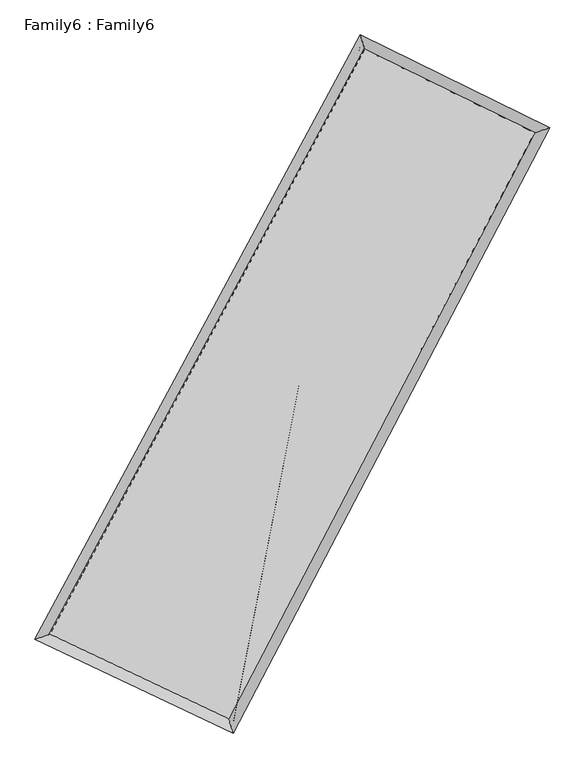
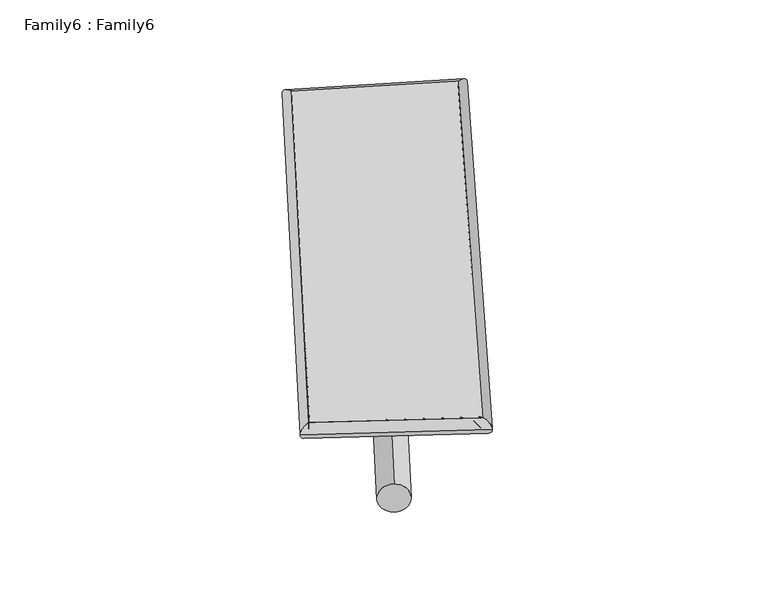
"""IFC4 building model written with IfcOpenShell, lengths in millimetres: plate geometry, Family6 : Family6."""

from ifc_helpers import new_model, si_unit, point, frame, origin, origin_2d, place, context, project, spatial, circle_curve, ellipse_curve, trimmed, segment, composite_curve, outline, extrude, source, transform, mapped, element, save
from ifc_brep_helpers import plane_surface, cylinder_surface, spline_surface, advanced_brep


def family6_family6_df32eaef(model_context):
    return source(origin(), model_context, "Body", "SolidModel", [
        extrude(outline(composite_curve([segment(trimmed(circle_curve(origin_2d(), 76.2), [point((-75.4341515, -10.7763073))], [point((75.4341515, 10.7763073))], False, "CARTESIAN"), True, "CONTINUOUS"), segment(trimmed(circle_curve(origin_2d(), 76.2), [point((75.4341515, 10.7763073))], [point((-75.4341515, -10.7763073))], False, "CARTESIAN"), True, "CONTINUOUS")], self_intersect=False)), frame((9144.0, 9144.0, 0.0), z_axis=(0.6662309854049578, 0.6929782422948942, 0.2755311775320856), x_axis=(-0.6848741240321073, 0.7147605069249591, -0.14165045701172077)), (0.0, 0.0, 1.0), 5668.2412803),
        extrude(outline(composite_curve([segment(trimmed(circle_curve(origin_2d(), 76.2), [point((-53.8815367, 53.8815367))], [point((53.8815367, -53.8815367))], False, "CARTESIAN"), True, "CONTINUOUS"), segment(trimmed(circle_curve(origin_2d(), 76.2), [point((53.8815367, -53.8815367))], [point((-53.8815367, 53.8815367))], False, "CARTESIAN"), True, "CONTINUOUS")], self_intersect=False)), frame((9144.0, 9144.0, 0.0), z_axis=(-0.673711010183003, -0.6865520628379933, 0.27342227372892225), x_axis=(0.6411680965175555, -0.35907618424567034, 0.6782092346139383)), (0.0, 0.0, 1.0), 5707.8745444),
        extrude(outline(composite_curve([segment(trimmed(circle_curve(origin_2d(), 76.2), [point((-53.8815368, -53.8815368))], [point((53.8815368, 53.8815368))], False, "CARTESIAN"), True, "CONTINUOUS"), segment(trimmed(circle_curve(origin_2d(), 76.2), [point((53.8815368, 53.8815368))], [point((-53.8815368, -53.8815368))], False, "CARTESIAN"), True, "CONTINUOUS")], self_intersect=False)), frame((9144.0, 9144.0, 0.0), z_axis=(0.19586403351715956, 0.9435823586465408, 0.2670011476106798), x_axis=(-0.8514622248520884, 0.2987083047086333, -0.4310283382192242)), (0.0, 0.0, 1.0), 5558.970899),
        extrude(outline(composite_curve([segment(trimmed(circle_curve(origin_2d(), 76.2), [point((-75.4341515, 10.7763073))], [point((75.4341515, -10.7763073))], False, "CARTESIAN"), True, "CONTINUOUS"), segment(trimmed(circle_curve(origin_2d(), 76.2), [point((75.4341515, -10.7763073))], [point((-75.4341515, 10.7763073))], False, "CARTESIAN"), True, "CONTINUOUS")], self_intersect=False)), frame((9144.0, 9144.0, 0.0), z_axis=(-0.18468162071350688, -0.9457099886102976, 0.2674421739616686), x_axis=(0.9024462519362153, -0.05541623944168977, 0.42722336402919053)), (0.0, 0.0, 1.0), 5554.408681),
        advanced_brep(
        [(5088.4677402, 5156.312259, 1555.940677), (5088.3272743, 5156.1283019, 1566.7020679), (5508.6164091, 5294.1816552, 1565.3793952), (10297.3569062, 14188.0163812, 1491.2243856), (10168.2480187, 14590.6773638, 1477.2788335), (5508.756875, 5294.3656123, 1554.6180043), (12712.8227513, 13004.0095952, 1560.9012357), (13127.8931961, 13139.9261635, 1562.6531533), (8051.0193042, 4091.5083408, 1486.8370067), (8185.3863012, 3690.7721183, 1484.1292587)],
        [
            (0, 1, ellipse_curve(frame((5298.5420747, 5225.2469571, 1560.6600361), z_axis=(-0.3120106557364682, 0.9500006935813716, 0.012166877241605761), x_axis=(-0.9497656151716756, -0.31221097878325965, 0.021669816906653056)), 221.3727145, 152.4)),
            (1, 2, ellipse_curve(frame((5298.5420747, 5225.2469571, 1560.6600361), z_axis=(-0.3120106557364682, 0.9500006935813716, 0.012166877241605761), x_axis=(-0.9497656151716756, -0.31221097878325965, 0.021669816906653056)), 221.3727145, 152.4)),
            (2, 3),
            (3, 4, ellipse_curve(frame((10232.8024625, 14389.3468725, 1484.2516096), z_axis=(-0.9520386218517917, -0.30570683071924515, -0.01287618554293281), x_axis=(0.30535064442127396, -0.9519385205166467, 0.023959071519784953)), 211.5495862, 152.4)),
            (4, 0),
            (2, 5, ellipse_curve(frame((5298.5420747, 5225.2469571, 1560.6600361), z_axis=(-0.3120106557364682, 0.9500006935813716, 0.012166877241605761), x_axis=(-0.9497656151716756, -0.31221097878325965, 0.021669816906653056)), 221.3727145, 152.4)),
            (5, 0, ellipse_curve(frame((5298.5420747, 5225.2469571, 1560.6600361), z_axis=(-0.3120106557364682, 0.9500006935813716, 0.012166877241605761), x_axis=(-0.9497656151716756, -0.31221097878325965, 0.021669816906653056)), 221.3727145, 152.4)),
            (4, 3, ellipse_curve(frame((10232.8024625, 14389.3468725, 1484.2516096), z_axis=(-0.9520386218517917, -0.30570683071924515, -0.01287618554293281), x_axis=(0.30535064442127396, -0.9519385205166467, 0.023959071519784953)), 211.5495862, 152.4)),
            (3, 6),
            (6, 7, ellipse_curve(frame((12920.3579737, 13071.9678793, 1561.7771945), z_axis=(-0.3111167951092622, 0.9502789176513927, -0.013278496460028811), x_axis=(-0.9500106866471024, -0.31135332627933987, -0.023212097515986022)), 218.4227619, 152.4)),
            (7, 4),
            (7, 6, ellipse_curve(frame((12920.3579737, 13071.9678793, 1561.7771945), z_axis=(-0.3111167951092622, 0.9502789176513927, -0.013278496460028811), x_axis=(-0.9500106866471024, -0.31135332627933987, -0.023212097515986022)), 218.4227619, 152.4)),
            (6, 8),
            (8, 9, ellipse_curve(frame((8118.2028027, 3891.1402296, 1485.4831327), z_axis=(0.9480348861171202, 0.31795482072445913, -0.011601150071272522), x_axis=(-0.3176445877116034, 0.9479381050230947, 0.022699448071472544)), 211.3617457, 152.4)),
            (9, 7),
            (9, 8, ellipse_curve(frame((8118.2028027, 3891.1402296, 1485.4831327), z_axis=(0.9480348861171202, 0.31795482072445913, -0.011601150071272522), x_axis=(-0.3176445877116034, 0.9479381050230947, 0.022699448071472544)), 211.3617457, 152.4)),
            (8, 5),
            (1, 9),
        ],
        [
            cylinder_surface(frame((5298.5420747, 5225.2469571, 1560.6600361), z_axis=(-0.47406805862110996, -0.8804575994089407, 0.007341078821077493), x_axis=(-0.8799568141580454, 0.4734758621397132, -0.03868608519711469)), 152.4),
            cylinder_surface(frame((10232.8024625, 14389.3468725, 1484.2516096), z_axis=(-0.8976262904963374, 0.43999612803654015, -0.025893047766490995), x_axis=(0.4405325531825758, 0.8974950250419149, -0.020826656271557213)), 152.4),
            cylinder_surface(frame((12920.3579737, 13071.9678793, 1561.7771945), z_axis=(0.46347557129805206, 0.8860791016611377, 0.007363450912136637), x_axis=(0.8861078493468989, -0.46347557129805206, -0.0018094573102591343)), 152.4),
            cylinder_surface(frame((8118.2028027, 3891.1402296, 1485.4831327), z_axis=(0.9036641273067937, -0.4275636354681632, -0.024093207426550085), x_axis=(-0.42733353363947557, -0.9039815332357507, 0.01426319024414974)), 152.4),
        ],
        [
            (0, [[1, 2, 3, 4, 5]]),
            (0, [[6, 7, -5, 8, -3]]),
            (1, [[-4, 9, 10, 11]]),
            (1, [[-8, -11, 12, -9]]),
            (2, [[-10, 13, 14, 15]]),
            (2, [[-12, -15, 16, -13]]),
            (3, [[-14, 17, -6, -2, 18]]),
            (3, [[-16, -18, -1, -7, -17]]),
        ],
    ),
        extrude(outline(composite_curve([segment(trimmed(circle_curve(origin_2d(), 304.8), [point((0.0, -304.8))], [point((0.0, 304.7999999))], False, "CARTESIAN"), True, "CONTINUOUS"), segment(trimmed(circle_curve(origin_2d(), 304.8), [point((0.0, 304.7999999))], [point((0.0, -304.8))], False, "CARTESIAN"), True, "CONTINUOUS")], self_intersect=False)), frame((6667.4016944, 4557.3086647, -0.0789936), z_axis=(0.47511697792551844, 0.879922642655176, 1.5154343177099687e-05), x_axis=(-0.8799226427773373, 0.4751169779255184, 3.829990431191628e-06)), (0.0, 0.0, 1.0), 10425.2149289),
        advanced_brep(
        [(5298.5420747, 5225.2469571, 1560.6600361), (8118.2028027, 3891.1402296, 1485.4831327), (8118.2210182, 3891.1340936, 1637.8831315), (5298.5602902, 5225.2408211, 1713.0600349), (12920.3579737, 13071.9678793, 1561.7771945), (12920.3761892, 13071.9617433, 1714.1771933), (10232.8024625, 14389.3468725, 1484.2516096), (10232.820678, 14389.3407365, 1636.6516084)],
        [
            (0, 1),
            (1, 2),
            (2, 3),
            (3, 0),
            (1, 4),
            (4, 5),
            (5, 2),
            (4, 6),
            (6, 7),
            (7, 5),
            (6, 0),
            (3, 7),
        ],
        [
            plane_surface(frame((6708.3724387, 4558.1935933, 1523.0715844), z_axis=(-0.4276874653365996, -0.9039266738940392, 1.4724620149302384e-05), x_axis=(0.9036641273067937, -0.4275636354681634, -0.024093207426550082))),
            plane_surface(frame((10519.2803882, 8481.5540545, 1523.6301636), z_axis=(0.8861035427081831, -0.46348732030316175, -0.00012457207368020548), x_axis=(0.4634755712980521, 0.8860791016611378, 0.007363450912136655))),
            plane_surface(frame((11576.5802181, 13730.6573759, 1523.014402), z_axis=(0.4401440825800709, 0.8979271609094912, -1.6455044097250446e-05), x_axis=(-0.8976262904963371, 0.43999612803654037, -0.02589304776649099))),
            plane_surface(frame((7765.6722686, 9807.2969148, 1522.4558228), z_axis=(-0.8804808854247758, 0.4740816332073026, 0.0001243265839471), x_axis=(-0.47406805862110984, -0.8804575994089406, 0.007341078821077505))),
            spline_surface(1, 1, [[(8118.2210182, 3891.1340936, 1637.8831315), (5298.5602902, 5225.2408211, 1713.0600349)], [(12920.3761892, 13071.9617433, 1714.1771933), (10232.820678, 14389.3407365, 1636.6516084)]], [2, 2], [2, 2], [0.0, 1.0], [0.0, 1.0]),
            spline_surface(1, 1, [[(10232.8024625, 14389.3468725, 1484.2516096), (5298.5420747, 5225.2469571, 1560.6600361)], [(12920.3579737, 13071.9678793, 1561.7771945), (8118.2028027, 3891.1402296, 1485.4831327)]], [2, 2], [2, 2], [0.0, 1.0], [0.0, 1.0]),
        ],
        [
            (0, [[1, 2, 3, 4]]),
            (1, [[5, 6, 7, -2]]),
            (2, [[8, 9, 10, -6]]),
            (3, [[11, -4, 12, -9]]),
            (4, [[-3, -7, -10, -12]]),
            (5, [[-11, -8, -5, -1]]),
        ],
    ),
    ])


if __name__ == "__main__":
    model = new_model("IFC4")
    model_context = context("Model", 3, world=origin())
    ifc_project = project(units=[si_unit("LENGTHUNIT", "METRE", prefix="MILLI")], contexts=[model_context])
    site = spatial("IfcSite", under=ifc_project)
    building = spatial("IfcBuilding", under=site)
    placement = place(None, origin())
    family6_family6_shape = family6_family6_df32eaef(model_context)
    element("IfcPlate", 1, ObjectType="Family6 : Family6", at=placement, inside=building, context=model_context, shape_type="MappedRepresentation", body=[
        mapped(family6_family6_shape, transform((0.0, 0.0, 0.0), x_axis=(1.0, 0.0, 0.0), y_axis=(0.0, 1.0, 0.0), z_axis=(0.0, 0.0, 1.0))),
    ])
    save(model, "model.ifc")
